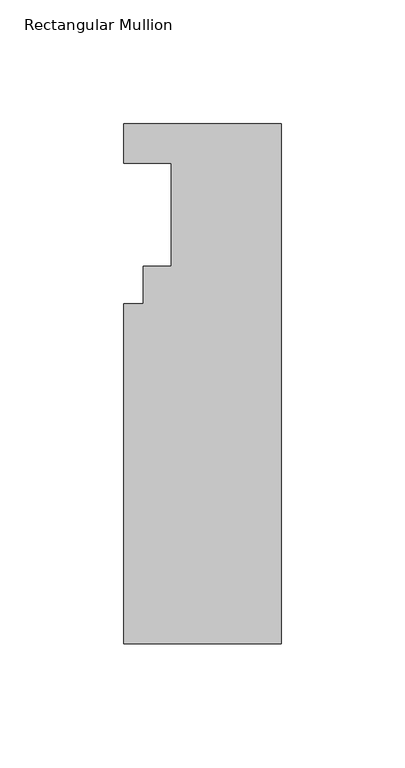
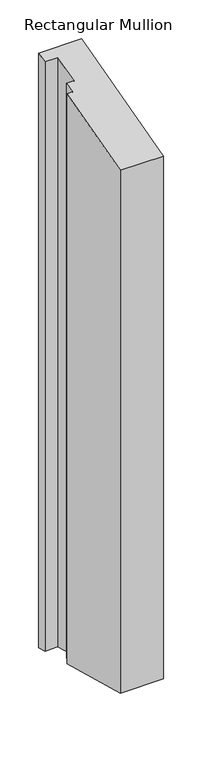
"""IFC4 building model written with IfcOpenShell, lengths in millimetres: member geometry, Rectangular Mullion."""

import ifcopenshell
import ifcopenshell.guid

model = None  # the IFC model being written
_history = None  # IfcOwnerHistory: only IFC2X3 demands one
_inside = {}  # id of a spatial element -> (the spatial element, [elements in it])
_under = {}  # id of a project, library or spatial element -> (it, [spatial elements below it])
_declared = {}  # id of a project -> (the project, [libraries it declares])
_typed = {}  # id of a type object -> (the type object, [elements of that type])
_made_of = {}  # id of a material, layer set ... -> (it, [elements and type objects made of it])


def new_model(schema):
    """Start an empty IFC model of exactly this schema.

    Asked for "IFC4X3", IfcOpenShell would pick the latest addendum, in which some entities
    have other attributes; the version numbers below select the first issue.
    IFC2X3 requires an IfcOwnerHistory on every rooted entity: one is made here for all.
    """
    global model, _history
    if schema == "IFC4X3":
        model = ifcopenshell.file(schema_version=(4, 3, 0, 0))
    else:
        model = ifcopenshell.file(schema=schema)
    _inside.clear()
    _under.clear()
    _declared.clear()
    _typed.clear()
    _made_of.clear()
    _history = None
    if model.schema == "IFC2X3":
        org = make("IfcOrganization", Name="unknown")
        user = make(
            "IfcPersonAndOrganization",
            ThePerson=make("IfcPerson", FamilyName="unknown"),
            TheOrganization=org,
        )
        app = make(
            "IfcApplication",
            ApplicationDeveloper=org,
            Version="unknown",
            ApplicationFullName="unknown",
            ApplicationIdentifier="unknown",
        )
        _history = make(
            "IfcOwnerHistory",
            OwningUser=user,
            OwningApplication=app,
            ChangeAction="ADDED",
            CreationDate=0,
        )
    return model


def make(cls, **values):
    """One entity of the class cls with the attributes given. An attribute that is None is left unset."""
    return model.create_entity(
        cls, **{name: value for name, value in values.items() if value is not None}
    )


def rooted(cls, **values):
    """An entity with a GlobalId (a new one), such as an element, a storey or a relation."""
    return make(cls, GlobalId=ifcopenshell.guid.new(), OwnerHistory=_history, **values)


def si_unit(unit_type, name, prefix=None):
    """IfcSIUnit, for example si_unit("LENGTHUNIT", "METRE", prefix="MILLI")."""
    return make("IfcSIUnit", UnitType=unit_type, Prefix=prefix, Name=name)


def assignment(units):
    """IfcUnitAssignment: the units of a project."""
    return None if units is None else make("IfcUnitAssignment", Units=units)


def point(xyz):
    """IfcCartesianPoint."""
    return None if xyz is None else make("IfcCartesianPoint", Coordinates=xyz)


def direction(xyz):
    """IfcDirection."""
    return None if xyz is None else make("IfcDirection", DirectionRatios=xyz)


def frame(location, z_axis=None, x_axis=None):
    """IfcAxis2Placement3D, a coordinate frame: its origin and axes. An axis left out is left unset."""
    return make(
        "IfcAxis2Placement3D",
        Location=point(location),
        Axis=direction(z_axis),
        RefDirection=direction(x_axis),
    )


def origin():
    """The frame at (0, 0, 0) with its axes left unset."""
    return frame((0.0, 0.0, 0.0))


def place(relative_to, where):
    """IfcLocalPlacement: puts the frame where relative to a parent placement (None: the world)."""
    return make(
        "IfcLocalPlacement", PlacementRelTo=relative_to, RelativePlacement=where
    )


def context(
    kind, dimensions, precision=None, world=None, true_north=None, identifier=None
):
    """IfcGeometricRepresentationContext, for example the 3D "Model" context."""
    return make(
        "IfcGeometricRepresentationContext",
        ContextIdentifier=identifier,
        ContextType=kind,
        CoordinateSpaceDimension=dimensions,
        Precision=precision,
        WorldCoordinateSystem=world,
        TrueNorth=true_north,
    )


def project(units=None, contexts=None):
    """IfcProject with its units and contexts."""
    return rooted(
        "IfcProject",
        Name="project",
        RepresentationContexts=contexts,
        UnitsInContext=assignment(units),
    )


def spatial(cls, under=None, at=None, **own):
    """A site, building, storey or space (cls), placed at a placement, below another one or the project."""
    s = rooted(cls, ObjectPlacement=at, **own)
    if under is not None:
        _under.setdefault(under.id(), (under, []))[1].append(s)
    return s


def faces_of(points, faces, orient=None, outer=None):
    """IfcFace entities. A face is a list of loops; a loop is a list of indices into points, from 0.

    orient and outer hold one flag for each loop. By default every Orientation is true, the
    first loop of a face is its IfcFaceOuterBound and the others are IfcFaceBound.
    """
    made = []
    for i, loops in enumerate(faces):
        bounds = []
        for j, loop in enumerate(loops):
            is_outer = j == 0 if outer is None else outer[i][j]
            bounds.append(
                make(
                    "IfcFaceOuterBound" if is_outer else "IfcFaceBound",
                    Bound=make("IfcPolyLoop", Polygon=[points[k] for k in loop]),
                    Orientation=True if orient is None else orient[i][j],
                )
            )
        made.append(make("IfcFace", Bounds=bounds))
    return made


def faceted_brep(points, faces, orient=None, outer=None, voids=None):
    """IfcFacetedBrep: a solid bounded by flat faces; with voids (closed shells), ...WithVoids."""
    shared = [point(p) for p in points]
    hull = make("IfcClosedShell", CfsFaces=faces_of(shared, faces, orient, outer))
    if voids is None:
        return make("IfcFacetedBrep", Outer=hull)
    return make(
        "IfcFacetedBrepWithVoids",
        Outer=hull,
        Voids=[
            make(cls, CfsFaces=faces_of(shared, fs, o, b)) for cls, fs, o, b in voids
        ],
    )


def shape(context_of_items, identifier, shape_type, items):
    """IfcShapeRepresentation: the items that make up one representation, for example the "Body"."""
    return make(
        "IfcShapeRepresentation",
        ContextOfItems=context_of_items,
        RepresentationIdentifier=identifier,
        RepresentationType=shape_type,
        Items=items,
    )


def source(mapping_origin, context_of_items, identifier, shape_type, items):
    """IfcRepresentationMap: a shape defined once, which mapped items show again and again."""
    return make(
        "IfcRepresentationMap",
        MappingOrigin=mapping_origin,
        MappedRepresentation=shape(context_of_items, identifier, shape_type, items),
    )


def transform(
    local_origin,
    x_axis=None,
    y_axis=None,
    z_axis=None,
    scale=None,
    scale2=None,
    scale3=None,
    uniform=True,
):
    """IfcCartesianTransformationOperator3D, or its non-uniform kind. x_axis, y_axis, z_axis: its Axis1, 2, 3."""
    if uniform:
        return make(
            "IfcCartesianTransformationOperator3D",
            Axis1=direction(x_axis),
            Axis2=direction(y_axis),
            LocalOrigin=point(local_origin),
            Scale=scale,
            Axis3=direction(z_axis),
        )
    return make(
        "IfcCartesianTransformationOperator3DnonUniform",
        Axis1=direction(x_axis),
        Axis2=direction(y_axis),
        LocalOrigin=point(local_origin),
        Scale=scale,
        Axis3=direction(z_axis),
        Scale2=scale2,
        Scale3=scale3,
    )


def mapped(mapping_source, mapping_target):
    """IfcMappedItem: shows the shape of a source again, moved by a transform."""
    return make(
        "IfcMappedItem", MappingSource=mapping_source, MappingTarget=mapping_target
    )


def made_of(thing, what):
    """Note that an element or type object is made of a material, layer set ...; save() writes the relation."""
    if what is not None:
        _made_of.setdefault(what.id(), (what, []))[1].append(thing)
    return thing


def element(
    cls,
    number,
    at=None,
    inside=None,
    cuts=None,
    type_object=None,
    material=None,
    context=None,
    identifier="Body",
    shape_type=None,
    held_by="IfcProductDefinitionShape",
    body=None,
    shapes=None,
    **own,
):
    """One element of the class cls, such as IfcWall. Its Tag is "e" and its number.

    at: its placement. inside: the storey or other place that contains it. cuts: it is an
    opening in that element (IfcRelVoidsElement). A single representation is given by context,
    identifier, shape_type and body (its items); several are given by shapes. held_by: the class
    of the entity that holds the representations. save() writes the other relations.
    """
    e = rooted(cls, Tag="e%d" % number, ObjectPlacement=at, **own)
    if body is not None:
        shapes = [shape(context, identifier, shape_type, body)]
    if shapes is not None:
        e.Representation = make(held_by, Representations=shapes)
    if inside is not None:
        _inside.setdefault(inside.id(), (inside, []))[1].append(e)
    if cuts is not None:
        rooted(
            "IfcRelVoidsElement", RelatingBuildingElement=cuts, RelatedOpeningElement=e
        )
    if type_object is not None:
        _typed.setdefault(type_object.id(), (type_object, []))[1].append(e)
    return made_of(e, material)


def aggregate(whole, parts):
    """IfcRelAggregates: a whole, such as a stair, and the parts it consists of."""
    return rooted("IfcRelAggregates", RelatingObject=whole, RelatedObjects=parts)


def save(model, path):
    """Write the relations noted so far, then the file.

    IfcRelAggregates (storeys below a building ...), IfcRelContainedInSpatialStructure (elements
    in a storey), IfcRelDefinesByType, IfcRelAssociatesMaterial and IfcRelDeclares: one each for
    every whole, place, type object, material and project.
    """
    for whole, parts in _under.values():
        aggregate(whole, parts)
    for where, things in _inside.values():
        rooted(
            "IfcRelContainedInSpatialStructure",
            RelatedElements=things,
            RelatingStructure=where,
        )
    for kind, things in _typed.values():
        rooted("IfcRelDefinesByType", RelatedObjects=things, RelatingType=kind)
    for what, things in _made_of.values():
        rooted("IfcRelAssociatesMaterial", RelatedObjects=things, RelatingMaterial=what)
    for by, libraries in _declared.values():
        rooted("IfcRelDeclares", RelatingContext=by, RelatedDefinitions=libraries)
    model.write(path)


def rectangular_mullion_841683b8(model_context):
    return source(origin(), model_context, "Body", "Brep", [
        faceted_brep([(-63.5, 4.8458438, 1.2984399), (-63.5, 20.7208438, 5.5521333), (-63.5, 20.7208438, -926.4703743), (-63.5, 4.8458438, -922.2166809), (-44.45, 4.8458438, 1.2984399), (-44.45, 4.8458438, -922.2166809), (-44.45, -36.8101563, -9.8632516), (-44.45, -36.8101563, -911.0549893), (-55.5752, -36.8101563, -9.8632516), (-55.5752, -36.8101563, -911.0549893), (-55.5752, -51.8723562, -13.899156), (-55.5752, -51.8723562, -907.019085), (-63.5, -51.8723562, -13.899156), (-63.5, -51.8723562, -907.019085), (-63.5, -189.2101563, -50.6987086), (-63.5, -189.2101563, -870.2195324), (0.0, -189.2101563, -50.6987086), (0.0, -189.2101563, -870.2195324), (0.0, 20.7208438, 5.5521333), (0.0, 20.7208438, -926.4703743)], [[[0, 1, 2, 3]], [[4, 0, 3, 5]], [[6, 4, 5, 7]], [[8, 6, 7, 9]], [[10, 8, 9, 11]], [[12, 10, 11, 13]], [[14, 12, 13, 15]], [[16, 14, 15, 17]], [[18, 16, 17, 19]], [[1, 18, 19, 2]], [[1, 0, 4, 6, 8, 10, 12, 14, 16, 18]], [[2, 19, 17, 15, 13, 11, 9, 7, 5, 3]]]),
    ])


if __name__ == "__main__":
    model = new_model("IFC4")
    model_context = context("Model", 3, world=origin())
    ifc_project = project(units=[si_unit("LENGTHUNIT", "METRE", prefix="MILLI")], contexts=[model_context])
    site = spatial("IfcSite", under=ifc_project)
    building = spatial("IfcBuilding", under=site)
    placement = place(None, origin())
    rectangular_mullion_shape = rectangular_mullion_841683b8(model_context)
    element("IfcMember", 1, ObjectType="Rectangular Mullion", at=placement, inside=building, context=model_context, shape_type="MappedRepresentation", body=[
        mapped(rectangular_mullion_shape, transform((0.0, 0.0, 0.0), x_axis=(1.0, 0.0, 0.0), y_axis=(0.0, 1.0, 0.0), z_axis=(0.0, 0.0, 1.0))),
    ])
    save(model, "model.ifc")
